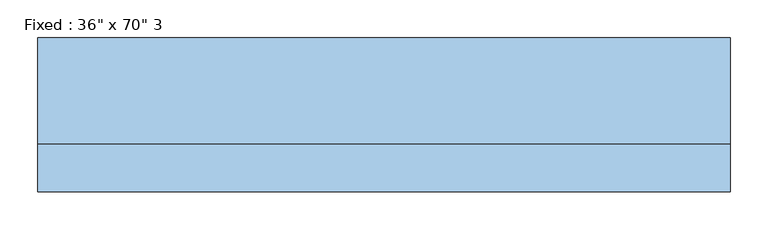
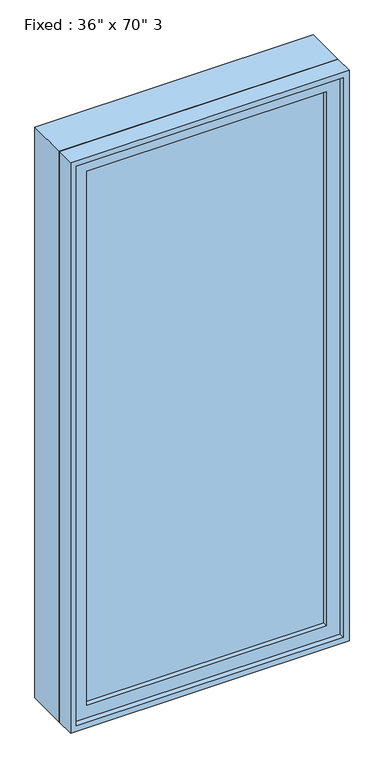
"""IFC4 building model written with IfcOpenShell, lengths in millimetres: window geometry."""

import ifcopenshell
import ifcopenshell.guid

model = None  # the IFC model being written
_history = None  # IfcOwnerHistory: only IFC2X3 demands one
_inside = {}  # id of a spatial element -> (the spatial element, [elements in it])
_under = {}  # id of a project, library or spatial element -> (it, [spatial elements below it])
_declared = {}  # id of a project -> (the project, [libraries it declares])
_typed = {}  # id of a type object -> (the type object, [elements of that type])
_made_of = {}  # id of a material, layer set ... -> (it, [elements and type objects made of it])


def new_model(schema):
    """Start an empty IFC model of exactly this schema.

    Asked for "IFC4X3", IfcOpenShell would pick the latest addendum, in which some entities
    have other attributes; the version numbers below select the first issue.
    IFC2X3 requires an IfcOwnerHistory on every rooted entity: one is made here for all.
    """
    global model, _history
    if schema == "IFC4X3":
        model = ifcopenshell.file(schema_version=(4, 3, 0, 0))
    else:
        model = ifcopenshell.file(schema=schema)
    _inside.clear()
    _under.clear()
    _declared.clear()
    _typed.clear()
    _made_of.clear()
    _history = None
    if model.schema == "IFC2X3":
        org = make("IfcOrganization", Name="unknown")
        user = make(
            "IfcPersonAndOrganization",
            ThePerson=make("IfcPerson", FamilyName="unknown"),
            TheOrganization=org,
        )
        app = make(
            "IfcApplication",
            ApplicationDeveloper=org,
            Version="unknown",
            ApplicationFullName="unknown",
            ApplicationIdentifier="unknown",
        )
        _history = make(
            "IfcOwnerHistory",
            OwningUser=user,
            OwningApplication=app,
            ChangeAction="ADDED",
            CreationDate=0,
        )
    return model


def make(cls, **values):
    """One entity of the class cls with the attributes given. An attribute that is None is left unset."""
    return model.create_entity(
        cls, **{name: value for name, value in values.items() if value is not None}
    )


def rooted(cls, **values):
    """An entity with a GlobalId (a new one), such as an element, a storey or a relation."""
    return make(cls, GlobalId=ifcopenshell.guid.new(), OwnerHistory=_history, **values)


def si_unit(unit_type, name, prefix=None):
    """IfcSIUnit, for example si_unit("LENGTHUNIT", "METRE", prefix="MILLI")."""
    return make("IfcSIUnit", UnitType=unit_type, Prefix=prefix, Name=name)


def assignment(units):
    """IfcUnitAssignment: the units of a project."""
    return None if units is None else make("IfcUnitAssignment", Units=units)


def point(xyz):
    """IfcCartesianPoint."""
    return None if xyz is None else make("IfcCartesianPoint", Coordinates=xyz)


def direction(xyz):
    """IfcDirection."""
    return None if xyz is None else make("IfcDirection", DirectionRatios=xyz)


def frame(location, z_axis=None, x_axis=None):
    """IfcAxis2Placement3D, a coordinate frame: its origin and axes. An axis left out is left unset."""
    return make(
        "IfcAxis2Placement3D",
        Location=point(location),
        Axis=direction(z_axis),
        RefDirection=direction(x_axis),
    )


def origin():
    """The frame at (0, 0, 0) with its axes left unset."""
    return frame((0.0, 0.0, 0.0))


def place(relative_to, where):
    """IfcLocalPlacement: puts the frame where relative to a parent placement (None: the world)."""
    return make(
        "IfcLocalPlacement", PlacementRelTo=relative_to, RelativePlacement=where
    )


def context(
    kind, dimensions, precision=None, world=None, true_north=None, identifier=None
):
    """IfcGeometricRepresentationContext, for example the 3D "Model" context."""
    return make(
        "IfcGeometricRepresentationContext",
        ContextIdentifier=identifier,
        ContextType=kind,
        CoordinateSpaceDimension=dimensions,
        Precision=precision,
        WorldCoordinateSystem=world,
        TrueNorth=true_north,
    )


def project(units=None, contexts=None):
    """IfcProject with its units and contexts."""
    return rooted(
        "IfcProject",
        Name="project",
        RepresentationContexts=contexts,
        UnitsInContext=assignment(units),
    )


def spatial(cls, under=None, at=None, **own):
    """A site, building, storey or space (cls), placed at a placement, below another one or the project."""
    s = rooted(cls, ObjectPlacement=at, **own)
    if under is not None:
        _under.setdefault(under.id(), (under, []))[1].append(s)
    return s


def polyline(points):
    """IfcPolyline through the points."""
    return make("IfcPolyline", Points=[point(p) for p in points])


def outline(outer, holes=None, kind="AREA"):
    """IfcArbitraryClosedProfileDef: a profile drawn as a closed curve; with holes, ...WithVoids."""
    if holes is None:
        return make("IfcArbitraryClosedProfileDef", ProfileType=kind, OuterCurve=outer)
    return make(
        "IfcArbitraryProfileDefWithVoids",
        ProfileType=kind,
        OuterCurve=outer,
        InnerCurves=holes,
    )


def extrude(swept, where, along, depth):
    """IfcExtrudedAreaSolid: the profile swept, set in the frame where, extruded along a direction by depth."""
    return make(
        "IfcExtrudedAreaSolid",
        SweptArea=swept,
        Position=where,
        ExtrudedDirection=direction(along),
        Depth=depth,
    )


def shape(context_of_items, identifier, shape_type, items):
    """IfcShapeRepresentation: the items that make up one representation, for example the "Body"."""
    return make(
        "IfcShapeRepresentation",
        ContextOfItems=context_of_items,
        RepresentationIdentifier=identifier,
        RepresentationType=shape_type,
        Items=items,
    )


def source(mapping_origin, context_of_items, identifier, shape_type, items):
    """IfcRepresentationMap: a shape defined once, which mapped items show again and again."""
    return make(
        "IfcRepresentationMap",
        MappingOrigin=mapping_origin,
        MappedRepresentation=shape(context_of_items, identifier, shape_type, items),
    )


def transform(
    local_origin,
    x_axis=None,
    y_axis=None,
    z_axis=None,
    scale=None,
    scale2=None,
    scale3=None,
    uniform=True,
):
    """IfcCartesianTransformationOperator3D, or its non-uniform kind. x_axis, y_axis, z_axis: its Axis1, 2, 3."""
    if uniform:
        return make(
            "IfcCartesianTransformationOperator3D",
            Axis1=direction(x_axis),
            Axis2=direction(y_axis),
            LocalOrigin=point(local_origin),
            Scale=scale,
            Axis3=direction(z_axis),
        )
    return make(
        "IfcCartesianTransformationOperator3DnonUniform",
        Axis1=direction(x_axis),
        Axis2=direction(y_axis),
        LocalOrigin=point(local_origin),
        Scale=scale,
        Axis3=direction(z_axis),
        Scale2=scale2,
        Scale3=scale3,
    )


def mapped(mapping_source, mapping_target):
    """IfcMappedItem: shows the shape of a source again, moved by a transform."""
    return make(
        "IfcMappedItem", MappingSource=mapping_source, MappingTarget=mapping_target
    )


def made_of(thing, what):
    """Note that an element or type object is made of a material, layer set ...; save() writes the relation."""
    if what is not None:
        _made_of.setdefault(what.id(), (what, []))[1].append(thing)
    return thing


def element(
    cls,
    number,
    at=None,
    inside=None,
    cuts=None,
    type_object=None,
    material=None,
    context=None,
    identifier="Body",
    shape_type=None,
    held_by="IfcProductDefinitionShape",
    body=None,
    shapes=None,
    **own,
):
    """One element of the class cls, such as IfcWall. Its Tag is "e" and its number.

    at: its placement. inside: the storey or other place that contains it. cuts: it is an
    opening in that element (IfcRelVoidsElement). A single representation is given by context,
    identifier, shape_type and body (its items); several are given by shapes. held_by: the class
    of the entity that holds the representations. save() writes the other relations.
    """
    e = rooted(cls, Tag="e%d" % number, ObjectPlacement=at, **own)
    if body is not None:
        shapes = [shape(context, identifier, shape_type, body)]
    if shapes is not None:
        e.Representation = make(held_by, Representations=shapes)
    if inside is not None:
        _inside.setdefault(inside.id(), (inside, []))[1].append(e)
    if cuts is not None:
        rooted(
            "IfcRelVoidsElement", RelatingBuildingElement=cuts, RelatedOpeningElement=e
        )
    if type_object is not None:
        _typed.setdefault(type_object.id(), (type_object, []))[1].append(e)
    return made_of(e, material)


def aggregate(whole, parts):
    """IfcRelAggregates: a whole, such as a stair, and the parts it consists of."""
    return rooted("IfcRelAggregates", RelatingObject=whole, RelatedObjects=parts)


def save(model, path):
    """Write the relations noted so far, then the file.

    IfcRelAggregates (storeys below a building ...), IfcRelContainedInSpatialStructure (elements
    in a storey), IfcRelDefinesByType, IfcRelAssociatesMaterial and IfcRelDeclares: one each for
    every whole, place, type object, material and project.
    """
    for whole, parts in _under.values():
        aggregate(whole, parts)
    for where, things in _inside.values():
        rooted(
            "IfcRelContainedInSpatialStructure",
            RelatedElements=things,
            RelatingStructure=where,
        )
    for kind, things in _typed.values():
        rooted("IfcRelDefinesByType", RelatedObjects=things, RelatingType=kind)
    for what, things in _made_of.values():
        rooted("IfcRelAssociatesMaterial", RelatedObjects=things, RelatingMaterial=what)
    for by, libraries in _declared.values():
        rooted("IfcRelDeclares", RelatingContext=by, RelatedDefinitions=libraries)
    model.write(path)


def window_6dfddda8(model_context):
    return source(origin(), model_context, "Body", "SweptSolid", [
        extrude(outline(polyline([(355.6, -53.975), (355.6, -66.675), (-431.8, -66.675), (-431.8, -53.975), (355.6, -53.975)])), frame((0.0, 0.0, 368.3), z_axis=(0.0, 0.0, 1.0), x_axis=(1.0, 0.0, 0.0)), (0.0, 0.0, 1.0), 1854.2),
        extrude(outline(polyline([(2266.95, -476.25), (323.85, -476.25), (323.85, 400.05), (2266.95, 400.05), (2266.95, -476.25)]), holes=[polyline([(2222.5, -431.8), (2222.5, 355.6), (368.3, 355.6), (368.3, -431.8), (2222.5, -431.8)])]), frame((0.0, -82.55, 0.0), z_axis=(0.0, 1.0, 0.0), x_axis=(0.0, 0.0, 1.0)), (0.0, 0.0, 1.0), 44.45),
        extrude(outline(polyline([(2286.0, -495.3), (304.8, -495.3), (304.8, 419.1), (2286.0, 419.1), (2286.0, -495.3)]), holes=[polyline([(2254.25, -463.55), (2254.25, 387.35), (336.55, 387.35), (336.55, -463.55), (2254.25, -463.55)])]), frame((0.0, -38.1, 0.0), z_axis=(0.0, 1.0, 0.0), x_axis=(0.0, 0.0, 1.0)), (0.0, 0.0, 1.0), 139.7),
        extrude(outline(polyline([(2286.0, 419.1), (2286.0, -495.3), (304.8, -495.3), (304.8, 419.1), (2286.0, 419.1)]), holes=[polyline([(2266.95, 400.05), (323.85, 400.05), (323.85, -476.25), (2266.95, -476.25), (2266.95, 400.05)])]), frame((0.0, -101.6, 0.0), z_axis=(0.0, 1.0, 0.0), x_axis=(0.0, 0.0, 1.0)), (0.0, 0.0, 1.0), 63.5),
    ])


if __name__ == "__main__":
    model = new_model("IFC4")
    model_context = context("Model", 3, world=origin())
    ifc_project = project(units=[si_unit("LENGTHUNIT", "METRE", prefix="MILLI")], contexts=[model_context])
    site = spatial("IfcSite", under=ifc_project)
    building = spatial("IfcBuilding", under=site)
    placement = place(None, origin())
    window_shape = window_6dfddda8(model_context)
    element("IfcWindow", 1, ObjectType="Fixed : 36\" x 70\" 3", at=placement, inside=building, context=model_context, shape_type="MappedRepresentation", body=[
        mapped(window_shape, transform((0.0, 0.0, 0.0), x_axis=(1.0, 0.0, 0.0), y_axis=(0.0, 1.0, 0.0), z_axis=(0.0, 0.0, 1.0))),
    ])
    save(model, "model.ifc")
